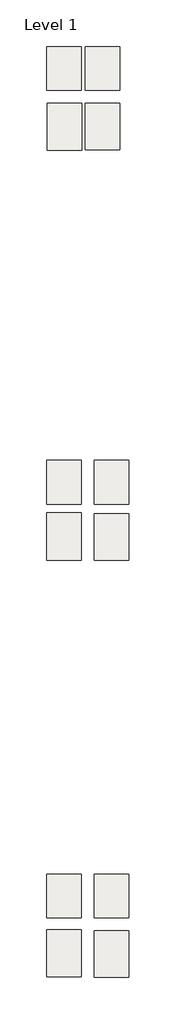
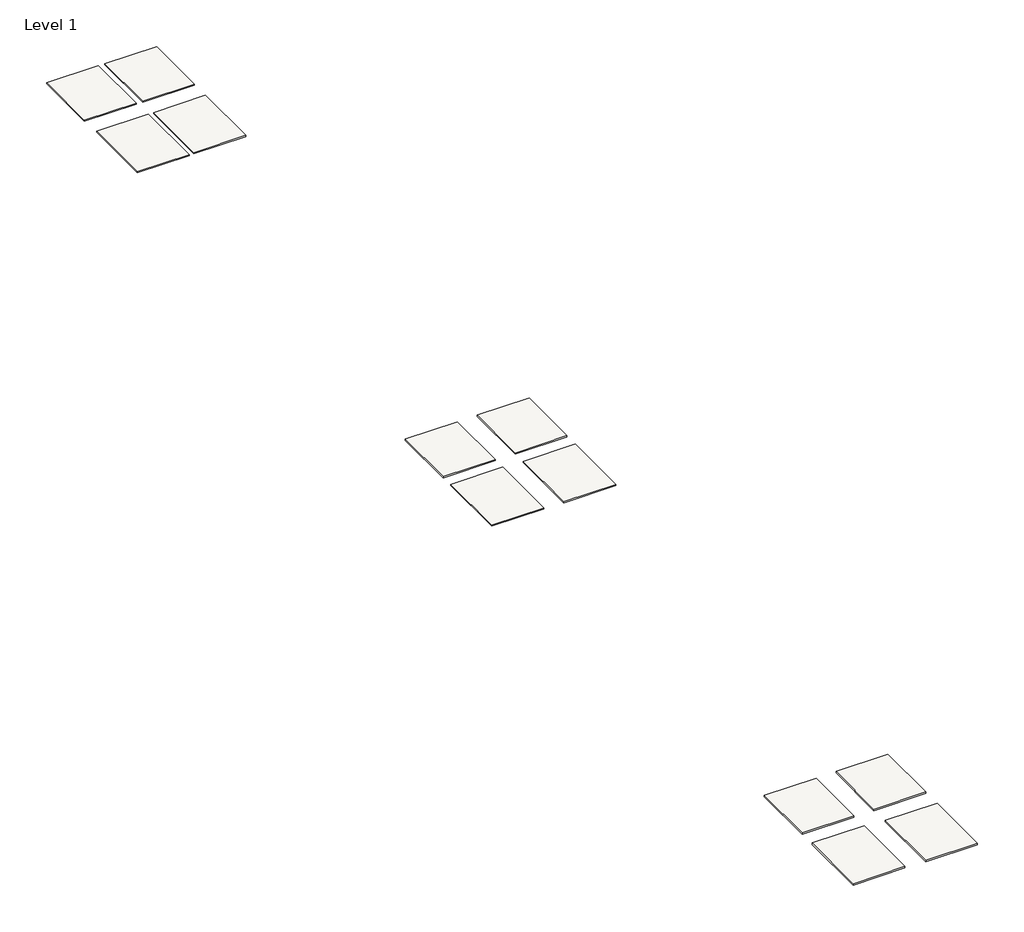
# One storey: 12 slabs.
"""IFC4 building model written with IfcOpenShell, lengths in millimetres."""

from ifc_helpers import new_model, si_unit, frame, origin, place, context, project, spatial, polyline, outline, extrude, element, save

model = new_model("IFC4")

# Units and contexts
model_context = context("Model", 3, world=origin())
ifc_project = project(units=[si_unit("LENGTHUNIT", "METRE", prefix="MILLI")], contexts=[model_context])

# Site, building, storey
site = spatial("IfcSite", under=ifc_project)
building = spatial("IfcBuilding", under=site)
storey = spatial("IfcBuildingStorey", under=building, Name="Level 1", Elevation=0.0)

# Slabs
placement = place(None, origin())
element("IfcSlab", 1, at=placement, inside=storey, context=model_context, shape_type="SweptSolid", body=[
    extrude(outline(polyline([(-23880.9497159, 19591.3381889), (-23880.9497159, 20105.6881889), (-23499.9497159, 20105.6881889), (-23499.9497159, 19591.3381889), (-23880.9497159, 19591.3381889)])), frame((0.0, 0.0, -10.0000003), z_axis=(0.0, 0.0, 1.0), x_axis=(1.0, 0.0, 0.0)), (0.0, 0.0, 1.0), 10.0000003),
])
element("IfcSlab", 2, at=placement, inside=storey, context=model_context, shape_type="SweptSolid", body=[
    extrude(outline(polyline([(-24407.4736134, 20214.7566703), (-24407.4736134, 20697.3566703), (-24026.4736134, 20697.3566703), (-24026.4736134, 20214.7566703), (-24407.4736134, 20214.7566703)])), frame((0.0, 0.0, -10.0000003), z_axis=(0.0, 0.0, 1.0), x_axis=(1.0, 0.0, 0.0)), (0.0, 0.0, 1.0), 10.0000003),
])
element("IfcSlab", 3, at=placement, inside=storey, context=model_context, shape_type="SweptSolid", body=[
    extrude(outline(polyline([(-23878.7817857, 20214.7566703), (-23878.7817857, 20697.3566703), (-23497.7817857, 20697.3566703), (-23497.7817857, 20214.7566703), (-23878.7817857, 20214.7566703)])), frame((0.0, 0.0, -10.0000003), z_axis=(0.0, 0.0, 1.0), x_axis=(1.0, 0.0, 0.0)), (0.0, 0.0, 1.0), 10.0000003),
])
element("IfcSlab", 4, at=placement, inside=storey, context=model_context, shape_type="SweptSolid", body=[
    extrude(outline(polyline([(-24408.5129321, 19595.2891485), (-24408.5129321, 20115.9891485), (-24027.5129321, 20115.9891485), (-24027.5129321, 19595.2891485), (-24408.5129321, 19595.2891485)])), frame((0.0, 0.0, -10.0000003), z_axis=(0.0, 0.0, 1.0), x_axis=(1.0, 0.0, 0.0)), (0.0, 0.0, 1.0), 10.0000003),
])
element("IfcSlab", 5, at=placement, inside=storey, context=model_context, shape_type="SweptSolid", body=[
    extrude(outline(polyline([(-23878.7817857, 14984.5786436), (-23878.7817857, 15498.9286436), (-23497.7817857, 15498.9286436), (-23497.7817857, 14984.5786436), (-23878.7817857, 14984.5786436)])), frame((0.0, 0.0, -12.0000004), z_axis=(0.0, 0.0, 1.0), x_axis=(1.0, 0.0, 0.0)), (0.0, 0.0, 1.0), 12.0000004),
])
element("IfcSlab", 6, at=placement, inside=storey, context=model_context, shape_type="SweptSolid", body=[
    extrude(outline(polyline([(-24407.4736134, 15642.7566703), (-24407.4736134, 16125.3566703), (-24026.4736134, 16125.3566703), (-24026.4736134, 15642.7566703), (-24407.4736134, 15642.7566703)])), frame((0.0, 0.0, -12.0000004), z_axis=(0.0, 0.0, 1.0), x_axis=(1.0, 0.0, 0.0)), (0.0, 0.0, 1.0), 12.0000004),
])
element("IfcSlab", 7, at=placement, inside=storey, context=model_context, shape_type="SweptSolid", body=[
    extrude(outline(polyline([(-23878.7817857, 15642.7566703), (-23878.7817857, 16125.3566703), (-23497.7817857, 16125.3566703), (-23497.7817857, 15642.7566703), (-23878.7817857, 15642.7566703)])), frame((0.0, 0.0, -12.0000004), z_axis=(0.0, 0.0, 1.0), x_axis=(1.0, 0.0, 0.0)), (0.0, 0.0, 1.0), 12.0000004),
])
element("IfcSlab", 8, at=placement, inside=storey, context=model_context, shape_type="SweptSolid", body=[
    extrude(outline(polyline([(-24407.4736134, 14992.4656442), (-24407.4736134, 15513.1656442), (-24026.4736134, 15513.1656442), (-24026.4736134, 14992.4656442), (-24407.4736134, 14992.4656442)])), frame((0.0, 0.0, -12.0000004), z_axis=(0.0, 0.0, 1.0), x_axis=(1.0, 0.0, 0.0)), (0.0, 0.0, 1.0), 12.0000004),
])
element("IfcSlab", 9, at=placement, inside=storey, context=model_context, shape_type="SweptSolid", body=[
    extrude(outline(polyline([(-24407.4736134, 24786.7566703), (-24407.4736134, 25269.3566703), (-24026.4736134, 25269.3566703), (-24026.4736134, 24786.7566703), (-24407.4736134, 24786.7566703)])), frame((0.0, 0.0, -8.0000003), z_axis=(0.0, 0.0, 1.0), x_axis=(1.0, 0.0, 0.0)), (0.0, 0.0, 1.0), 8.0000003),
])
element("IfcSlab", 10, at=placement, inside=storey, context=model_context, shape_type="SweptSolid", body=[
    extrude(outline(polyline([(-23980.7337697, 24784.2556086), (-23980.7337697, 25266.8556086), (-23599.7337697, 25266.8556086), (-23599.7337697, 24784.2556086), (-23980.7337697, 24784.2556086)])), frame((0.0, 0.0, -8.0000003), z_axis=(0.0, 0.0, 1.0), x_axis=(1.0, 0.0, 0.0)), (0.0, 0.0, 1.0), 8.0000003),
])
element("IfcSlab", 11, at=placement, inside=storey, context=model_context, shape_type="SweptSolid", body=[
    extrude(outline(polyline([(-24401.8181447, 24121.8918265), (-24401.8181447, 24642.5918265), (-24020.8181447, 24642.5918265), (-24020.8181447, 24121.8918265), (-24401.8181447, 24121.8918265)])), frame((0.0, 0.0, -8.0000003), z_axis=(0.0, 0.0, 1.0), x_axis=(1.0, 0.0, 0.0)), (0.0, 0.0, 1.0), 8.0000003),
])
element("IfcSlab", 12, at=placement, inside=storey, context=model_context, shape_type="SweptSolid", body=[
    extrude(outline(polyline([(-23982.4204884, 24127.1298274), (-23982.4204884, 24641.4798274), (-23601.4204884, 24641.4798274), (-23601.4204884, 24127.1298274), (-23982.4204884, 24127.1298274)])), frame((0.0, 0.0, -8.0000003), z_axis=(0.0, 0.0, 1.0), x_axis=(1.0, 0.0, 0.0)), (0.0, 0.0, 1.0), 8.0000003),
])

save(model, "model.ifc")
